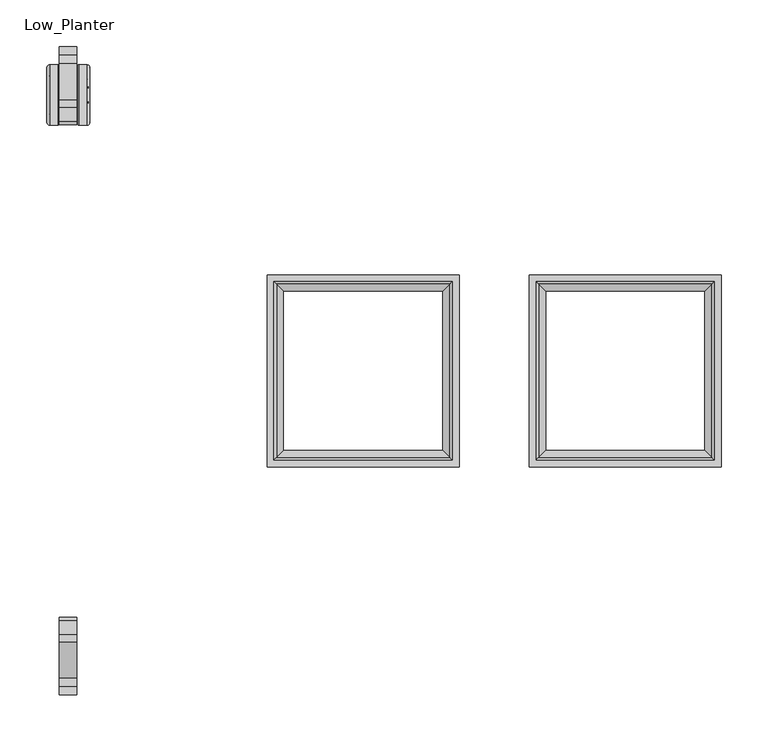
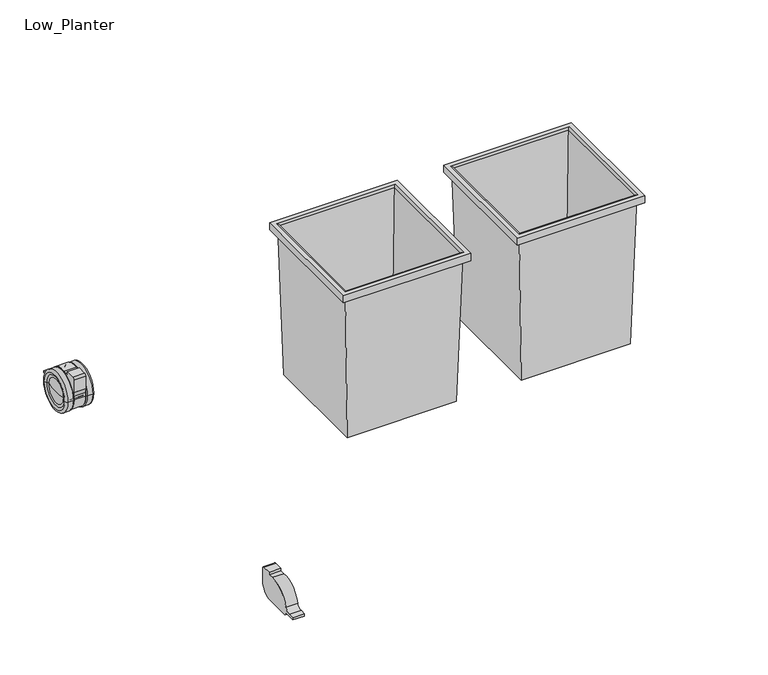
"""IFC4 building model written with IfcOpenShell, lengths in millimetres: furniture geometry, Low_Planter."""

from ifc_helpers import new_model, si_unit, point, frame, frame_2d, origin, place, context, project, spatial, polyline, circle_curve, ellipse_curve, trimmed, segment, composite_curve, outline, extrude, source, transform, mapped, element, save
from ifc_brep_helpers import plane_surface, cylinder_surface, revolved_surface, advanced_brep


def low_planter_7d2f23ec(model_context):
    return source(origin(), model_context, "Body", "SolidModel", [
        advanced_brep(
        [(-39.8170914, 100.1829086, 352.4436917), (-39.4853441, 100.5146559, 342.9436917), (-39.4853441, -100.5146559, 342.9436917), (-39.8170914, -100.1829086, 352.4436917), (-45.5409135, 94.4590865, 350.2723738), (-43.3126853, 96.6873147, 352.4436917), (-43.3126853, -96.6873147, 352.4436917), (-45.5409135, -94.4590865, 350.2723738), (-52.031188, 87.968812, 99.4436917), (-52.031188, -87.968812, 99.4436917), (-47.4617098, 92.5382902, 352.2816601), (-54.8527573, 85.1472427, 99.4436917), (-54.8527573, -85.1472427, 99.4436917), (-47.4617098, -92.5382902, 352.2816601), (-44.6627452, 95.3372548, 355.0), (-44.6627452, -95.3372548, 355.0), (-37.484125, 102.515875, 342.9436917), (-37.484125, 102.515875, 355.0), (-37.484125, -102.515875, 355.0), (-37.484125, -102.515875, 342.9436917), (-240.5146559, -100.5146559, 342.9436917), (-240.1829086, -100.1829086, 352.4436917), (-236.6873147, -96.6873147, 352.4436917), (-234.4590865, -94.4590865, 350.2723738), (-227.968812, -87.968812, 99.4436917), (-225.1472427, -85.1472427, 99.4436917), (-232.5382902, -92.5382902, 352.2816601), (-235.3372548, -95.3372548, 355.0), (-242.515875, -102.515875, 355.0), (-242.515875, -102.515875, 342.9436917), (-240.5146559, 100.5146559, 342.9436917), (-240.1829086, 100.1829086, 352.4436917), (-236.6873147, 96.6873147, 352.4436917), (-234.4590865, 94.4590865, 350.2723738), (-227.968812, 87.968812, 99.4436917), (-225.1472427, 85.1472427, 99.4436917), (-232.5382902, 92.5382902, 352.2816601), (-235.3372548, 95.3372548, 355.0), (-242.515875, 102.515875, 355.0), (-242.515875, 102.515875, 342.9436917)],
        [
            (0, 1),
            (1, 2),
            (2, 3),
            (3, 0),
            (4, 5, ellipse_curve(frame((-43.3126853, 96.6873147, 350.2147177), z_axis=(-0.7071067811865475, 0.7071067811865475, 0.0), x_axis=(-0.7071067811865474, -0.7071067811865476, 0.0)), 3.1522453, 2.228974)),
            (5, 6),
            (6, 7, ellipse_curve(frame((-43.3126853, -96.6873147, 350.2147177), z_axis=(-0.7071067811865475, -0.7071067811865475, 0.0), x_axis=(0.7071067811865474, -0.7071067811865476, 0.0)), 3.1522453, 2.228974)),
            (7, 4),
            (8, 4),
            (7, 9),
            (9, 8),
            (10, 11),
            (11, 12),
            (12, 13),
            (13, 10),
            (14, 10, ellipse_curve(frame((-44.6627452, 95.3372548, 352.1998398), z_axis=(0.7071067811865475, -0.7071067811865475, 0.0), x_axis=(0.7071067811865474, 0.7071067811865476, 0.0)), 3.9600246, 2.8001602)),
            (13, 15, ellipse_curve(frame((-44.6627452, -95.3372548, 352.1998398), z_axis=(0.7071067811865475, 0.7071067811865475, 0.0), x_axis=(-0.7071067811865474, 0.7071067811865476, 0.0)), 3.9600246, 2.8001602)),
            (15, 14),
            (16, 17),
            (17, 18),
            (18, 19),
            (19, 16),
            (2, 20),
            (20, 21),
            (21, 3),
            (6, 22),
            (22, 23, ellipse_curve(frame((-236.6873147, -96.6873147, 350.2147177), z_axis=(-0.7071067811865475, 0.7071067811865475, 0.0), x_axis=(-0.7071067811865476, -0.7071067811865474, 0.0)), 3.1522453, 2.228974)),
            (23, 7),
            (23, 24),
            (24, 9),
            (12, 25),
            (25, 26),
            (26, 13),
            (26, 27, ellipse_curve(frame((-235.3372548, -95.3372548, 352.1998398), z_axis=(0.7071067811865475, -0.7071067811865475, 0.0), x_axis=(0.7071067811865476, 0.7071067811865474, 0.0)), 3.9600246, 2.8001602)),
            (27, 15),
            (18, 28),
            (28, 29),
            (29, 19),
            (20, 30),
            (30, 31),
            (31, 21),
            (22, 32),
            (32, 33, ellipse_curve(frame((-236.6873147, 96.6873147, 350.2147177), z_axis=(0.7071067811865475, 0.7071067811865475, 0.0), x_axis=(-0.7071067811865474, 0.7071067811865476, 0.0)), 3.1522453, 2.228974)),
            (33, 23),
            (33, 34),
            (34, 24),
            (25, 35),
            (35, 36),
            (36, 26),
            (36, 37, ellipse_curve(frame((-235.3372548, 95.3372548, 352.1998398), z_axis=(-0.7071067811865475, -0.7071067811865475, 0.0), x_axis=(0.7071067811865474, -0.7071067811865476, 0.0)), 3.9600246, 2.8001602)),
            (37, 27),
            (28, 38),
            (38, 39),
            (39, 29),
            (39, 16),
            (1, 30),
            (0, 31),
            (5, 32),
            (4, 33),
            (8, 34),
            (11, 35),
            (10, 36),
            (14, 37),
            (17, 38),
        ],
        [
            plane_surface(frame((-39.4853441, 100.5146559, 342.9436917), z_axis=(-0.9993908270190965, 0.0, -0.03489949670247725), x_axis=(0.0, -1.0, 0.0))),
            revolved_surface(polyline([(-41.0837113, -98.91628872759341, 350.2147177), (-41.0837113, 98.91628872759343, 350.2147177)]), (-43.3126853, 85.094, 350.2147177), (0.0, -1.0, 0.0)),
            plane_surface(frame((-45.5409135, 94.4590865, 350.2723738), z_axis=(0.9996654016980265, 0.0, -0.025866670599890264), x_axis=(0.0, -1.0, 0.0))),
            plane_surface(frame((-54.8527573, 85.1472427, 99.4436917), z_axis=(-0.9995730085530367, 0.0, 0.02921986605429452), x_axis=(0.0, -1.0, 0.0))),
            cylinder_surface(frame((-44.6627452, 85.094, 352.1998398), z_axis=(0.0, 1.0, 0.0), x_axis=(1.0, 0.0, 0.0)), 2.8001602),
            plane_surface(frame((-37.484125, 102.515875, 355.0), z_axis=(1.0, 0.0, 0.0), x_axis=(0.0, -1.0, 0.0))),
            plane_surface(frame((-39.4853441, -100.5146559, 342.9436917), z_axis=(0.0, 0.9993908270190961, -0.03489949670249076), x_axis=(-1.0, 0.0, 0.0))),
            revolved_surface(polyline([(-238.9162887275934, -98.9162887, 350.2147177), (-41.083711272406575, -98.9162887, 350.2147177)]), (-54.906, -96.6873147, 350.2147177), (-1.0, 0.0, 0.0)),
            plane_surface(frame((-45.5409135, -94.4590865, 350.2723738), z_axis=(0.0, -0.999665401698027, -0.02586667059987675), x_axis=(-1.0, 0.0, 0.0))),
            plane_surface(frame((-54.8527573, -85.1472427, 99.4436917), z_axis=(0.0, 0.9995730085530371, 0.029219866054281007), x_axis=(-1.0, 0.0, 0.0))),
            cylinder_surface(frame((-54.906, -95.3372548, 352.1998398), z_axis=(1.0, 0.0, 0.0), x_axis=(0.0, -1.0, 0.0)), 2.8001602),
            plane_surface(frame((-37.484125, -102.515875, 355.0), z_axis=(0.0, -1.0, 0.0), x_axis=(-1.0, 0.0, 0.0))),
            plane_surface(frame((-240.5146559, -100.5146559, 342.9436917), z_axis=(0.9993908270190957, 0.0, -0.03489949670250427), x_axis=(0.0, 1.0, 0.0))),
            revolved_surface(polyline([(-238.9162887, 98.91628872759341, 350.2147177), (-238.9162887, -98.91628872759343, 350.2147177)]), (-236.6873147, -85.094, 350.2147177), (0.0, 1.0, 0.0)),
            plane_surface(frame((-234.4590865, -94.4590865, 350.2723738), z_axis=(-0.9996654016980273, 0.0, -0.025866670599863233), x_axis=(0.0, 1.0, 0.0))),
            plane_surface(frame((-225.1472427, -85.1472427, 99.4436917), z_axis=(0.9995730085530375, 0.0, 0.029219866054267494), x_axis=(0.0, 1.0, 0.0))),
            cylinder_surface(frame((-235.3372548, -85.094, 352.1998398), z_axis=(0.0, -1.0, 0.0), x_axis=(-1.0, 0.0, 0.0)), 2.8001602),
            plane_surface(frame((-242.515875, -102.515875, 355.0), z_axis=(-1.0, 0.0, 0.0), x_axis=(0.0, 1.0, 0.0))),
            plane_surface(frame((-242.515875, 102.515875, 342.9436917), z_axis=(0.0, 0.0, -1.0), x_axis=(1.0, 0.0, 0.0))),
            plane_surface(frame((-240.5146559, 100.5146559, 342.9436917), z_axis=(0.0, -0.9993908270190961, -0.03489949670249076), x_axis=(1.0, 0.0, 0.0))),
            plane_surface(frame((-240.1829086, 100.1829086, 352.4436917), z_axis=(0.0, 0.0, -1.0), x_axis=(1.0, 0.0, 0.0))),
            revolved_surface(polyline([(-41.08371127240659, 98.9162887, 350.2147177), (-238.9162887275934, 98.9162887, 350.2147177)]), (-225.094, 96.6873147, 350.2147177), (1.0, 0.0, 0.0)),
            plane_surface(frame((-234.4590865, 94.4590865, 350.2723738), z_axis=(0.0, 0.999665401698027, -0.02586667059987675), x_axis=(1.0, 0.0, 0.0))),
            plane_surface(frame((-227.968812, 87.968812, 99.4436917), z_axis=(0.0, 0.0, -1.0), x_axis=(1.0, 0.0, 0.0))),
            plane_surface(frame((-225.1472427, 85.1472427, 99.4436917), z_axis=(0.0, -0.9995730085530371, 0.029219866054281007), x_axis=(1.0, 0.0, 0.0))),
            cylinder_surface(frame((-225.094, 95.3372548, 352.1998398), z_axis=(-1.0, 0.0, 0.0), x_axis=(0.0, 1.0, 0.0)), 2.8001602),
            plane_surface(frame((-235.3372548, 95.3372548, 355.0), z_axis=(0.0, 0.0, 1.0), x_axis=(1.0, 0.0, 0.0))),
            plane_surface(frame((-242.515875, 102.515875, 355.0), z_axis=(0.0, 1.0, 0.0), x_axis=(1.0, 0.0, 0.0))),
        ],
        [
            (0, [[1, 2, 3, 4]]),
            (1, [[5, 6, 7, 8]]),
            (2, [[9, -8, 10, 11]]),
            (3, [[12, 13, 14, 15]]),
            (4, [[16, -15, 17, 18]]),
            (5, [[19, 20, 21, 22]]),
            (6, [[-3, 23, 24, 25]]),
            (7, [[-7, 26, 27, 28]]),
            (8, [[-10, -28, 29, 30]]),
            (9, [[-14, 31, 32, 33]]),
            (10, [[-17, -33, 34, 35]]),
            (11, [[-21, 36, 37, 38]]),
            (12, [[-24, 39, 40, 41]]),
            (13, [[-27, 42, 43, 44]]),
            (14, [[-29, -44, 45, 46]]),
            (15, [[-32, 47, 48, 49]]),
            (16, [[-34, -49, 50, 51]]),
            (17, [[-37, 52, 53, 54]]),
            (18, [[-38, -54, 55, -22], [56, -39, -23, -2]]),
            (19, [[-40, -56, -1, 57]]),
            (20, [[-25, -41, -57, -4], [58, -42, -26, -6]]),
            (21, [[-43, -58, -5, 59]]),
            (22, [[-45, -59, -9, 60]]),
            (23, [[-30, -46, -60, -11], [61, -47, -31, -13]]),
            (24, [[-48, -61, -12, 62]]),
            (25, [[-50, -62, -16, 63]]),
            (26, [[64, -52, -36, -20], [-35, -51, -63, -18]]),
            (27, [[-53, -64, -19, -55]]),
        ],
    ),
        advanced_brep(
        [(-319.8170914, 100.1829086, 352.4436917), (-319.4853441, 100.5146559, 342.9436917), (-319.4853441, -100.5146559, 342.9436917), (-319.8170914, -100.1829086, 352.4436917), (-325.5409135, 94.4590865, 350.2723738), (-323.3126853, 96.6873147, 352.4436917), (-323.3126853, -96.6873147, 352.4436917), (-325.5409135, -94.4590865, 350.2723738), (-332.031188, 87.968812, 99.4436917), (-332.031188, -87.968812, 99.4436917), (-327.4617098, 92.5382902, 352.2816601), (-334.8527573, 85.1472427, 99.4436917), (-334.8527573, -85.1472427, 99.4436917), (-327.4617098, -92.5382902, 352.2816601), (-324.6627452, 95.3372548, 355.0), (-324.6627452, -95.3372548, 355.0), (-317.484125, 102.515875, 342.9436917), (-317.484125, 102.515875, 355.0), (-317.484125, -102.515875, 355.0), (-317.484125, -102.515875, 342.9436917), (-520.5146559, -100.5146559, 342.9436917), (-520.1829086, -100.1829086, 352.4436917), (-516.6873147, -96.6873147, 352.4436917), (-514.4590865, -94.4590865, 350.2723738), (-507.968812, -87.968812, 99.4436917), (-505.1472427, -85.1472427, 99.4436917), (-512.5382902, -92.5382902, 352.2816601), (-515.3372548, -95.3372548, 355.0), (-522.515875, -102.515875, 355.0), (-522.515875, -102.515875, 342.9436917), (-520.5146559, 100.5146559, 342.9436917), (-520.1829086, 100.1829086, 352.4436917), (-516.6873147, 96.6873147, 352.4436917), (-514.4590865, 94.4590865, 350.2723738), (-507.968812, 87.968812, 99.4436917), (-505.1472427, 85.1472427, 99.4436917), (-512.5382902, 92.5382902, 352.2816601), (-515.3372548, 95.3372548, 355.0), (-522.515875, 102.515875, 355.0), (-522.515875, 102.515875, 342.9436917)],
        [
            (0, 1),
            (1, 2),
            (2, 3),
            (3, 0),
            (4, 5, ellipse_curve(frame((-323.3126853, 96.6873147, 350.2147177), z_axis=(-0.7071067811865475, 0.7071067811865475, 0.0), x_axis=(-0.7071067811865474, -0.7071067811865476, 0.0)), 3.1522453, 2.228974)),
            (5, 6),
            (6, 7, ellipse_curve(frame((-323.3126853, -96.6873147, 350.2147177), z_axis=(-0.7071067811865475, -0.7071067811865475, 0.0), x_axis=(0.7071067811865474, -0.7071067811865476, 0.0)), 3.1522453, 2.228974)),
            (7, 4),
            (8, 4),
            (7, 9),
            (9, 8),
            (10, 11),
            (11, 12),
            (12, 13),
            (13, 10),
            (14, 10, ellipse_curve(frame((-324.6627452, 95.3372548, 352.1998398), z_axis=(0.7071067811865475, -0.7071067811865475, 0.0), x_axis=(0.7071067811865474, 0.7071067811865476, 0.0)), 3.9600246, 2.8001602)),
            (13, 15, ellipse_curve(frame((-324.6627452, -95.3372548, 352.1998398), z_axis=(0.7071067811865475, 0.7071067811865475, 0.0), x_axis=(-0.7071067811865474, 0.7071067811865476, 0.0)), 3.9600246, 2.8001602)),
            (15, 14),
            (16, 17),
            (17, 18),
            (18, 19),
            (19, 16),
            (2, 20),
            (20, 21),
            (21, 3),
            (6, 22),
            (22, 23, ellipse_curve(frame((-516.6873147, -96.6873147, 350.2147177), z_axis=(-0.7071067811865475, 0.7071067811865475, 0.0), x_axis=(-0.7071067811865476, -0.7071067811865474, 0.0)), 3.1522453, 2.228974)),
            (23, 7),
            (23, 24),
            (24, 9),
            (12, 25),
            (25, 26),
            (26, 13),
            (26, 27, ellipse_curve(frame((-515.3372548, -95.3372548, 352.1998398), z_axis=(0.7071067811865475, -0.7071067811865475, 0.0), x_axis=(0.7071067811865476, 0.7071067811865474, 0.0)), 3.9600246, 2.8001602)),
            (27, 15),
            (18, 28),
            (28, 29),
            (29, 19),
            (20, 30),
            (30, 31),
            (31, 21),
            (22, 32),
            (32, 33, ellipse_curve(frame((-516.6873147, 96.6873147, 350.2147177), z_axis=(0.7071067811865475, 0.7071067811865475, 0.0), x_axis=(-0.7071067811865474, 0.7071067811865476, 0.0)), 3.1522453, 2.228974)),
            (33, 23),
            (33, 34),
            (34, 24),
            (25, 35),
            (35, 36),
            (36, 26),
            (36, 37, ellipse_curve(frame((-515.3372548, 95.3372548, 352.1998398), z_axis=(-0.7071067811865475, -0.7071067811865475, 0.0), x_axis=(0.7071067811865474, -0.7071067811865476, 0.0)), 3.9600246, 2.8001602)),
            (37, 27),
            (28, 38),
            (38, 39),
            (39, 29),
            (39, 16),
            (1, 30),
            (0, 31),
            (5, 32),
            (4, 33),
            (8, 34),
            (11, 35),
            (10, 36),
            (14, 37),
            (17, 38),
        ],
        [
            plane_surface(frame((-319.4853441, 100.5146559, 342.9436917), z_axis=(-0.9993908270190965, 0.0, -0.0348994967024775), x_axis=(0.0, -1.0, 0.0))),
            revolved_surface(polyline([(-321.0837113, -98.91628872759341, 350.2147177), (-321.0837113, 98.91628872759343, 350.2147177)]), (-323.3126853, 85.094, 350.2147177), (0.0, -1.0, 0.0)),
            plane_surface(frame((-325.5409135, 94.4590865, 350.2723738), z_axis=(0.9996654016980265, 0.0, -0.025866670599890257), x_axis=(0.0, -1.0, 0.0))),
            plane_surface(frame((-334.8527573, 85.1472427, 99.4436917), z_axis=(-0.9995730085530367, 0.0, 0.02921986605429452), x_axis=(0.0, -1.0, 0.0))),
            cylinder_surface(frame((-324.6627452, 85.094, 352.1998398), z_axis=(0.0, 1.0, 0.0), x_axis=(1.0, 0.0, 0.0)), 2.8001602),
            plane_surface(frame((-317.484125, 102.515875, 355.0), z_axis=(1.0, 0.0, 0.0), x_axis=(0.0, -1.0, 0.0))),
            plane_surface(frame((-319.4853441, -100.5146559, 342.9436917), z_axis=(0.0, 0.9993908270190961, -0.03489949670249101), x_axis=(-1.0, 0.0, 0.0))),
            revolved_surface(polyline([(-518.9162887275934, -98.9162887, 350.2147177), (-321.08371127240656, -98.9162887, 350.2147177)]), (-334.906, -96.6873147, 350.2147177), (-1.0, 0.0, 0.0)),
            plane_surface(frame((-325.5409135, -94.4590865, 350.2723738), z_axis=(0.0, -0.999665401698027, -0.025866670599876743), x_axis=(-1.0, 0.0, 0.0))),
            plane_surface(frame((-334.8527573, -85.1472427, 99.4436917), z_axis=(0.0, 0.9995730085530371, 0.029219866054281007), x_axis=(-1.0, 0.0, 0.0))),
            cylinder_surface(frame((-334.906, -95.3372548, 352.1998398), z_axis=(1.0, 0.0, 0.0), x_axis=(0.0, -1.0, 0.0)), 2.8001602),
            plane_surface(frame((-317.484125, -102.515875, 355.0), z_axis=(0.0, -1.0, 0.0), x_axis=(-1.0, 0.0, 0.0))),
            plane_surface(frame((-520.5146559, -100.5146559, 342.9436917), z_axis=(0.9993908270190957, 0.0, -0.03489949670250452), x_axis=(0.0, 1.0, 0.0))),
            revolved_surface(polyline([(-518.9162887, 98.91628872759341, 350.2147177), (-518.9162887, -98.91628872759343, 350.2147177)]), (-516.6873147, -85.094, 350.2147177), (0.0, 1.0, 0.0)),
            plane_surface(frame((-514.4590865, -94.4590865, 350.2723738), z_axis=(-0.9996654016980273, 0.0, -0.025866670599863226), x_axis=(0.0, 1.0, 0.0))),
            plane_surface(frame((-505.1472427, -85.1472427, 99.4436917), z_axis=(0.9995730085530375, 0.0, 0.029219866054267494), x_axis=(0.0, 1.0, 0.0))),
            cylinder_surface(frame((-515.3372548, -85.094, 352.1998398), z_axis=(0.0, -1.0, 0.0), x_axis=(-1.0, 0.0, 0.0)), 2.8001602),
            plane_surface(frame((-522.515875, -102.515875, 355.0), z_axis=(-1.0, 0.0, 0.0), x_axis=(0.0, 1.0, 0.0))),
            plane_surface(frame((-522.515875, 102.515875, 342.9436917), z_axis=(0.0, 0.0, -1.0), x_axis=(1.0, 0.0, 0.0))),
            plane_surface(frame((-520.5146559, 100.5146559, 342.9436917), z_axis=(0.0, -0.9993908270190961, -0.03489949670249101), x_axis=(1.0, 0.0, 0.0))),
            plane_surface(frame((-520.1829086, 100.1829086, 352.4436917), z_axis=(0.0, 0.0, -1.0), x_axis=(1.0, 0.0, 0.0))),
            revolved_surface(polyline([(-321.0837112724066, 98.9162887, 350.2147177), (-518.9162887275934, 98.9162887, 350.2147177)]), (-505.094, 96.6873147, 350.2147177), (1.0, 0.0, 0.0)),
            plane_surface(frame((-514.4590865, 94.4590865, 350.2723738), z_axis=(0.0, 0.999665401698027, -0.025866670599876743), x_axis=(1.0, 0.0, 0.0))),
            plane_surface(frame((-507.968812, 87.968812, 99.4436917), z_axis=(0.0, 0.0, -1.0), x_axis=(1.0, 0.0, 0.0))),
            plane_surface(frame((-505.1472427, 85.1472427, 99.4436917), z_axis=(0.0, -0.9995730085530371, 0.029219866054281007), x_axis=(1.0, 0.0, 0.0))),
            cylinder_surface(frame((-505.094, 95.3372548, 352.1998398), z_axis=(-1.0, 0.0, 0.0), x_axis=(0.0, 1.0, 0.0)), 2.8001602),
            plane_surface(frame((-515.3372548, 95.3372548, 355.0), z_axis=(0.0, 0.0, 1.0), x_axis=(1.0, 0.0, 0.0))),
            plane_surface(frame((-522.515875, 102.515875, 355.0), z_axis=(0.0, 1.0, 0.0), x_axis=(1.0, 0.0, 0.0))),
        ],
        [
            (0, [[1, 2, 3, 4]]),
            (1, [[5, 6, 7, 8]]),
            (2, [[9, -8, 10, 11]]),
            (3, [[12, 13, 14, 15]]),
            (4, [[16, -15, 17, 18]]),
            (5, [[19, 20, 21, 22]]),
            (6, [[-3, 23, 24, 25]]),
            (7, [[-7, 26, 27, 28]]),
            (8, [[-10, -28, 29, 30]]),
            (9, [[-14, 31, 32, 33]]),
            (10, [[-17, -33, 34, 35]]),
            (11, [[-21, 36, 37, 38]]),
            (12, [[-24, 39, 40, 41]]),
            (13, [[-27, 42, 43, 44]]),
            (14, [[-29, -44, 45, 46]]),
            (15, [[-32, 47, 48, 49]]),
            (16, [[-34, -49, 50, 51]]),
            (17, [[-37, 52, 53, 54]]),
            (18, [[-38, -54, 55, -22], [56, -39, -23, -2]]),
            (19, [[-40, -56, -1, 57]]),
            (20, [[-25, -41, -57, -4], [58, -42, -26, -6]]),
            (21, [[-43, -58, -5, 59]]),
            (22, [[-45, -59, -9, 60]]),
            (23, [[-30, -46, -60, -11], [61, -47, -31, -13]]),
            (24, [[-48, -61, -12, 62]]),
            (25, [[-50, -62, -16, 63]]),
            (26, [[64, -52, -36, -20], [-35, -51, -63, -18]]),
            (27, [[-53, -64, -19, -55]]),
        ],
    ),
        extrude(outline(composite_curve([segment(polyline([(322.5393853, 24.6577664), (284.4393853, 24.6577664)]), True, "CONTINUOUS"), segment(trimmed(circle_curve(frame_2d((284.4393853, 45.6577664)), 21.0), [point((284.4393853, 24.6577664))], [point((263.4393853, 45.6577664))], False, "CARTESIAN"), True, "CONTINUOUS"), segment(polyline([(263.4393853, 45.6577664), (263.4393853, 67.2868958)]), True, "CONTINUOUS"), segment(trimmed(circle_curve(frame_2d((266.6512197, 67.2868958)), 3.2118344), [point((263.4393853, 67.2868958))], [point((266.6512197, 70.4987302))], False, "CARTESIAN"), True, "CONTINUOUS"), segment(polyline([(266.6512197, 70.4987302), (281.3809289, 70.4987302), (281.3809289, 66.7440458), (289.4225274, 66.7440458)]), True, "CONTINUOUS"), segment(trimmed(circle_curve(frame_2d((293.0492292, 30.6796344)), 36.2463066), [point((289.4225274, 66.7440458))], [point((328.1790956, 39.6064046))], False, "CARTESIAN"), True, "CONTINUOUS"), segment(trimmed(circle_curve(frame_2d((336.750164, 41.7843792)), 8.8434601), [point((328.1790956, 39.6064046))], [point((337.3229966, 32.9594911))], True, "CARTESIAN"), True, "CONTINUOUS"), segment(polyline([(337.3229966, 32.9594911), (346.4829961, 32.9594911), (346.4829961, 29.0481232), (328.3545572, 29.0481232)]), True, "CONTINUOUS"), segment(trimmed(circle_curve(frame_2d((322.5393853, 30.7041381)), 6.0463716), [point((328.3545572, 29.0481232))], [point((322.5393853, 24.6577664))], False, "CARTESIAN"), True, "CONTINUOUS")], self_intersect=False)), frame((-744.9615248, 0.0, 0.0), z_axis=(1.0, 0.0, 0.0), x_axis=(0.0, 1.0, 0.0)), (0.0, 0.0, 1.0), 18.9615248),
        advanced_brep(
        [(-755.184493, 314.6583204, 33.3375), (-755.184493, 275.3179942, 33.3375), (-756.254365, 294.9881573, 33.3375), (-755.8633212, 318.8171529, 33.3375), (-755.8633212, 271.1591617, 33.3375), (-757.7696196, 322.8735065, 33.3375), (-757.7696196, 267.1028081, 33.3375), (-754.7850467, 327.3100018, 33.3375), (-754.7850467, 262.6663128, 33.3375), (-746.259685, 327.3100018, 33.3375), (-746.259685, 262.6663128, 33.3375), (-744.9615248, 326.0118415, 33.3375), (-744.9615248, 263.9644731, 33.3375), (-744.9615248, 305.1400543, 33.3375), (-744.9615248, 284.8362603, 33.3375), (-744.0, 305.1400543, 33.3375), (-744.0, 284.8362603, 33.3375), (-744.0, 326.1400543, 33.3375), (-744.0, 263.8362603, 33.3375), (-726.0, 326.1400543, 33.3375), (-726.0, 263.8362603, 33.3375), (-726.0, 305.1400543, 33.3375), (-726.0, 284.8362603, 33.3375), (-724.9867609, 305.1400543, 33.3375), (-724.9867609, 284.8362603, 33.3375), (-724.9867609, 326.0118415, 33.3375), (-724.9867609, 263.9644731, 33.3375), (-723.6886006, 327.3100018, 33.3375), (-723.6886006, 262.6663128, 33.3375), (-715.163239, 327.3100018, 33.3375), (-715.163239, 262.6663128, 33.3375), (-712.178666, 322.8735065, 33.3375), (-712.178666, 267.1028081, 33.3375), (-714.0849645, 318.8171529, 33.3375), (-714.0849645, 271.1591617, 33.3375), (-714.7637927, 314.6583204, 33.3375), (-714.7637927, 275.3179942, 33.3375), (-713.6939206, 294.9881573, 33.3375)],
        [
            (0, 1, circle_curve(frame((-755.184493, 294.9881573, 33.3375), z_axis=(-1.0, 0.0, 0.0), x_axis=(0.0, -1.0, 0.0)), 19.6701631)),
            (1, 2, circle_curve(frame((-670.0444421, 289.81299, 33.3375), z_axis=(0.0, 0.0, -1.0), x_axis=(1.0, 0.0, 0.0)), 86.3651154)),
            (2, 0, circle_curve(frame((-670.0444421, 300.1633246, 33.3375), z_axis=(0.0, 0.0, -1.0), x_axis=(1.0, 0.0, 0.0)), 86.3651154)),
            (1, 0, circle_curve(frame((-755.184493, 294.9881573, 33.3375), z_axis=(-1.0, 0.0, 0.0), x_axis=(0.0, -1.0, 0.0)), 19.6701631)),
            (3, 4, circle_curve(frame((-755.8633212, 294.9881573, 33.3375), z_axis=(-1.0, 0.0, 0.0), x_axis=(0.0, -1.0, 0.0)), 23.8289956)),
            (4, 1, circle_curve(frame((-761.5862333, 274.2281053, 33.3375), z_axis=(0.0, 0.0, 1.0), x_axis=(1.0, 0.0, 0.0)), 6.4938538)),
            (0, 3, circle_curve(frame((-761.5862333, 315.7482093, 33.3375), z_axis=(0.0, 0.0, 1.0), x_axis=(1.0, 0.0, 0.0)), 6.4938538)),
            (4, 3, circle_curve(frame((-755.8633212, 294.9881573, 33.3375), z_axis=(-1.0, 0.0, 0.0), x_axis=(0.0, -1.0, 0.0)), 23.8289956)),
            (5, 6, circle_curve(frame((-757.7696196, 294.9881573, 33.3375), z_axis=(-1.0, 0.0, 0.0), x_axis=(0.0, -1.0, 0.0)), 27.8853492)),
            (6, 4, circle_curve(frame((-718.5172692, 251.1321331, 33.3375), z_axis=(0.0, 0.0, -1.0), x_axis=(1.0, 0.0, 0.0)), 42.3769923)),
            (3, 5, circle_curve(frame((-718.5172692, 338.8441815, 33.3375), z_axis=(0.0, 0.0, -1.0), x_axis=(1.0, 0.0, 0.0)), 42.3769923)),
            (6, 5, circle_curve(frame((-757.7696196, 294.9881573, 33.3375), z_axis=(-1.0, 0.0, 0.0), x_axis=(0.0, -1.0, 0.0)), 27.8853492)),
            (7, 8, circle_curve(frame((-754.7850467, 294.9881573, 33.3375), z_axis=(-1.0, 0.0, 0.0), x_axis=(0.0, -1.0, 0.0)), 32.3218445)),
            (8, 6, circle_curve(frame((-754.7850467, 265.8884695, 33.3375), z_axis=(0.0, 0.0, -1.0), x_axis=(1.0, 0.0, 0.0)), 3.2221567)),
            (5, 7, circle_curve(frame((-754.7850467, 324.0878451, 33.3375), z_axis=(0.0, 0.0, -1.0), x_axis=(1.0, 0.0, 0.0)), 3.2221567)),
            (8, 7, circle_curve(frame((-754.7850467, 294.9881573, 33.3375), z_axis=(-1.0, 0.0, 0.0), x_axis=(0.0, -1.0, 0.0)), 32.3218445)),
            (9, 10, circle_curve(frame((-746.259685, 294.9881573, 33.3375), z_axis=(-1.0, 0.0, 0.0), x_axis=(0.0, -1.0, 0.0)), 32.3218445)),
            (10, 8),
            (7, 9),
            (10, 9, circle_curve(frame((-746.259685, 294.9881573, 33.3375), z_axis=(-1.0, 0.0, 0.0), x_axis=(0.0, -1.0, 0.0)), 32.3218445)),
            (11, 12, circle_curve(frame((-744.9615248, 294.9881573, 33.3375), z_axis=(-1.0, 0.0, 0.0), x_axis=(0.0, -1.0, 0.0)), 31.0236842)),
            (12, 10, circle_curve(frame((-746.259685, 263.9644731, 33.3375), z_axis=(0.0, 0.0, -1.0), x_axis=(1.0, 0.0, 0.0)), 1.2981602)),
            (9, 11, circle_curve(frame((-746.259685, 326.0118415, 33.3375), z_axis=(0.0, 0.0, -1.0), x_axis=(1.0, 0.0, 0.0)), 1.2981602)),
            (12, 11, circle_curve(frame((-744.9615248, 294.9881573, 33.3375), z_axis=(-1.0, 0.0, 0.0), x_axis=(0.0, -1.0, 0.0)), 31.0236842)),
            (13, 14, circle_curve(frame((-744.9615248, 294.9881573, 33.3375), z_axis=(-1.0, 0.0, 0.0), x_axis=(0.0, -1.0, 0.0)), 10.151897)),
            (14, 12),
            (11, 13),
            (14, 13, circle_curve(frame((-744.9615248, 294.9881573, 33.3375), z_axis=(-1.0, 0.0, 0.0), x_axis=(0.0, -1.0, 0.0)), 10.151897)),
            (15, 16, circle_curve(frame((-744.0, 294.9881573, 33.3375), z_axis=(-1.0, 0.0, 0.0), x_axis=(0.0, -1.0, 0.0)), 10.151897)),
            (16, 14),
            (13, 15),
            (16, 15, circle_curve(frame((-744.0, 294.9881573, 33.3375), z_axis=(-1.0, 0.0, 0.0), x_axis=(0.0, -1.0, 0.0)), 10.151897)),
            (17, 18, circle_curve(frame((-744.0, 294.9881573, 33.3375), z_axis=(-1.0, 0.0, 0.0), x_axis=(0.0, -1.0, 0.0)), 31.151897)),
            (18, 16),
            (15, 17),
            (18, 17, circle_curve(frame((-744.0, 294.9881573, 33.3375), z_axis=(-1.0, 0.0, 0.0), x_axis=(0.0, -1.0, 0.0)), 31.151897)),
            (19, 20, circle_curve(frame((-726.0, 294.9881573, 33.3375), z_axis=(-1.0, 0.0, 0.0), x_axis=(0.0, -1.0, 0.0)), 31.151897)),
            (20, 18),
            (17, 19),
            (20, 19, circle_curve(frame((-726.0, 294.9881573, 33.3375), z_axis=(-1.0, 0.0, 0.0), x_axis=(0.0, -1.0, 0.0)), 31.151897)),
            (21, 22, circle_curve(frame((-726.0, 294.9881573, 33.3375), z_axis=(-1.0, 0.0, 0.0), x_axis=(0.0, -1.0, 0.0)), 10.151897)),
            (22, 20),
            (19, 21),
            (22, 21, circle_curve(frame((-726.0, 294.9881573, 33.3375), z_axis=(-1.0, 0.0, 0.0), x_axis=(0.0, -1.0, 0.0)), 10.151897)),
            (23, 24, circle_curve(frame((-724.9867609, 294.9881573, 33.3375), z_axis=(-1.0, 0.0, 0.0), x_axis=(0.0, -1.0, 0.0)), 10.151897)),
            (24, 22),
            (21, 23),
            (24, 23, circle_curve(frame((-724.9867609, 294.9881573, 33.3375), z_axis=(-1.0, 0.0, 0.0), x_axis=(0.0, -1.0, 0.0)), 10.151897)),
            (25, 26, circle_curve(frame((-724.9867609, 294.9881573, 33.3375), z_axis=(-1.0, 0.0, 0.0), x_axis=(0.0, -1.0, 0.0)), 31.0236842)),
            (26, 24),
            (23, 25),
            (26, 25, circle_curve(frame((-724.9867609, 294.9881573, 33.3375), z_axis=(-1.0, 0.0, 0.0), x_axis=(0.0, -1.0, 0.0)), 31.0236842)),
            (27, 28, circle_curve(frame((-723.6886006, 294.9881573, 33.3375), z_axis=(-1.0, 0.0, 0.0), x_axis=(0.0, -1.0, 0.0)), 32.3218445)),
            (28, 26, circle_curve(frame((-723.6886006, 263.9644731, 33.3375), z_axis=(0.0, 0.0, -1.0), x_axis=(-1.0, 0.0, 0.0)), 1.2981602)),
            (25, 27, circle_curve(frame((-723.6886006, 326.0118415, 33.3375), z_axis=(0.0, 0.0, -1.0), x_axis=(-1.0, 0.0, 0.0)), 1.2981602)),
            (28, 27, circle_curve(frame((-723.6886006, 294.9881573, 33.3375), z_axis=(-1.0, 0.0, 0.0), x_axis=(0.0, -1.0, 0.0)), 32.3218445)),
            (29, 30, circle_curve(frame((-715.163239, 294.9881573, 33.3375), z_axis=(-1.0, 0.0, 0.0), x_axis=(0.0, -1.0, 0.0)), 32.3218445)),
            (30, 28),
            (27, 29),
            (30, 29, circle_curve(frame((-715.163239, 294.9881573, 33.3375), z_axis=(-1.0, 0.0, 0.0), x_axis=(0.0, -1.0, 0.0)), 32.3218445)),
            (31, 32, circle_curve(frame((-712.178666, 294.9881573, 33.3375), z_axis=(-1.0, 0.0, 0.0), x_axis=(0.0, -1.0, 0.0)), 27.8853492)),
            (32, 30, circle_curve(frame((-715.163239, 265.8884695, 33.3375), z_axis=(0.0, 0.0, -1.0), x_axis=(-1.0, 0.0, 0.0)), 3.2221567)),
            (29, 31, circle_curve(frame((-715.163239, 324.0878451, 33.3375), z_axis=(0.0, 0.0, -1.0), x_axis=(-1.0, 0.0, 0.0)), 3.2221567)),
            (32, 31, circle_curve(frame((-712.178666, 294.9881573, 33.3375), z_axis=(-1.0, 0.0, 0.0), x_axis=(0.0, -1.0, 0.0)), 27.8853492)),
            (33, 34, circle_curve(frame((-714.0849645, 294.9881573, 33.3375), z_axis=(-1.0, 0.0, 0.0), x_axis=(0.0, -1.0, 0.0)), 23.8289956)),
            (34, 32, circle_curve(frame((-751.4310165, 251.1321331, 33.3375), z_axis=(0.0, 0.0, -1.0), x_axis=(-1.0, 0.0, 0.0)), 42.3769923)),
            (31, 33, circle_curve(frame((-751.4310165, 338.8441815, 33.3375), z_axis=(0.0, 0.0, -1.0), x_axis=(-1.0, 0.0, 0.0)), 42.3769923)),
            (34, 33, circle_curve(frame((-714.0849645, 294.9881573, 33.3375), z_axis=(-1.0, 0.0, 0.0), x_axis=(0.0, -1.0, 0.0)), 23.8289956)),
            (35, 36, circle_curve(frame((-714.7637927, 294.9881573, 33.3375), z_axis=(-1.0, 0.0, 0.0), x_axis=(0.0, -1.0, 0.0)), 19.6701631)),
            (36, 34, circle_curve(frame((-708.3620524, 274.2281053, 33.3375), z_axis=(0.0, 0.0, 1.0), x_axis=(-1.0, 0.0, 0.0)), 6.4938538)),
            (33, 35, circle_curve(frame((-708.3620524, 315.7482093, 33.3375), z_axis=(0.0, 0.0, 1.0), x_axis=(-1.0, 0.0, 0.0)), 6.4938538)),
            (36, 35, circle_curve(frame((-714.7637927, 294.9881573, 33.3375), z_axis=(-1.0, 0.0, 0.0), x_axis=(0.0, -1.0, 0.0)), 19.6701631)),
            (37, 36, circle_curve(frame((-799.9038436, 289.81299, 33.3375), z_axis=(0.0, 0.0, -1.0), x_axis=(-1.0, 0.0, 0.0)), 86.3651154)),
            (35, 37, circle_curve(frame((-799.9038436, 300.1633246, 33.3375), z_axis=(0.0, 0.0, -1.0), x_axis=(-1.0, 0.0, 0.0)), 86.3651154)),
        ],
        [
            revolved_surface(trimmed(ellipse_curve(frame((-670.0444421, 289.81299, 33.3375), z_axis=(0.0, 0.0, 1.0), x_axis=(1.0, 0.0, 0.0)), 86.3651154, 86.3651154), [point((-756.254365, 294.9881573, 33.3375))], [point((-755.184493, 275.3179942, 33.3375))], True, "CARTESIAN"), (-735.8288688, 294.9881573, 33.3375), (1.0, 0.0, 0.0)),
            revolved_surface(trimmed(ellipse_curve(frame((-761.5862333, 274.2281053, 33.3375), z_axis=(0.0, 0.0, -1.0), x_axis=(1.0, 0.0, 0.0)), 6.4938538, 6.4938538), [point((-755.184493, 275.3179942, 33.3375))], [point((-755.8633212, 271.1591617, 33.3375))], True, "CARTESIAN"), (-735.8288688, 294.9881573, 33.3375), (1.0, 0.0, 0.0)),
            revolved_surface(trimmed(ellipse_curve(frame((-718.5172692, 251.1321331, 33.3375), z_axis=(0.0, 0.0, 1.0), x_axis=(1.0, 0.0, 0.0)), 42.3769923, 42.3769923), [point((-755.8633212, 271.1591617, 33.3375))], [point((-757.7696196, 267.1028081, 33.3375))], True, "CARTESIAN"), (-735.8288688, 294.9881573, 33.3375), (1.0, 0.0, 0.0)),
            revolved_surface(trimmed(ellipse_curve(frame((-754.7850467, 265.8884695, 33.3375), z_axis=(0.0, 0.0, 1.0), x_axis=(1.0, 0.0, 0.0)), 3.2221567, 3.2221567), [point((-757.7696196, 267.1028081, 33.3375))], [point((-754.7850467, 262.6663128, 33.3375))], True, "CARTESIAN"), (-735.8288688, 294.9881573, 33.3375), (1.0, 0.0, 0.0)),
            cylinder_surface(frame((-735.8288688, 294.9881573, 33.3375), z_axis=(1.0, 0.0, 0.0), x_axis=(0.0, -1.0, 0.0)), 32.3218445),
            revolved_surface(trimmed(ellipse_curve(frame((-746.259685, 263.9644731, 33.3375), z_axis=(0.0, 0.0, 1.0), x_axis=(1.0, 0.0, 0.0)), 1.2981602, 1.2981602), [point((-746.259685, 262.6663128, 33.3375))], [point((-744.9615248, 263.9644731, 33.3375))], True, "CARTESIAN"), (-735.8288688, 294.9881573, 33.3375), (1.0, 0.0, 0.0)),
            plane_surface(frame((-744.9615248, 294.9881573, 33.3375), z_axis=(1.0, 0.0, 0.0), x_axis=(0.0, -1.0, 0.0))),
            cylinder_surface(frame((-735.8288688, 294.9881573, 33.3375), z_axis=(1.0, 0.0, 0.0), x_axis=(0.0, -1.0, 0.0)), 10.151897),
            plane_surface(frame((-744.0, 294.9881573, 33.3375), z_axis=(-1.0, 0.0, 0.0), x_axis=(0.0, -1.0, 0.0))),
            cylinder_surface(frame((-735.8288688, 294.9881573, 33.3375), z_axis=(1.0, 0.0, 0.0), x_axis=(0.0, -1.0, 0.0)), 31.151897),
            plane_surface(frame((-726.0, 294.9881573, 33.3375), z_axis=(1.0, 0.0, 0.0), x_axis=(0.0, -1.0, 0.0))),
            plane_surface(frame((-724.9867609, 294.9881573, 33.3375), z_axis=(-1.0, 0.0, 0.0), x_axis=(0.0, -1.0, 0.0))),
            revolved_surface(trimmed(ellipse_curve(frame((-723.6886006, 263.9644731, 33.3375), z_axis=(0.0, 0.0, 1.0), x_axis=(-1.0, 0.0, 0.0)), 1.2981602, 1.2981602), [point((-724.9867609, 263.9644731, 33.3375))], [point((-723.6886006, 262.6663128, 33.3375))], True, "CARTESIAN"), (-735.8288688, 294.9881573, 33.3375), (1.0, 0.0, 0.0)),
            revolved_surface(trimmed(ellipse_curve(frame((-715.163239, 265.8884695, 33.3375), z_axis=(0.0, 0.0, 1.0), x_axis=(-1.0, 0.0, 0.0)), 3.2221567, 3.2221567), [point((-715.163239, 262.6663128, 33.3375))], [point((-712.178666, 267.1028081, 33.3375))], True, "CARTESIAN"), (-735.8288688, 294.9881573, 33.3375), (1.0, 0.0, 0.0)),
            revolved_surface(trimmed(ellipse_curve(frame((-751.4310165, 251.1321331, 33.3375), z_axis=(0.0, 0.0, 1.0), x_axis=(-1.0, 0.0, 0.0)), 42.3769923, 42.3769923), [point((-712.178666, 267.1028081, 33.3375))], [point((-714.0849645, 271.1591617, 33.3375))], True, "CARTESIAN"), (-735.8288688, 294.9881573, 33.3375), (1.0, 0.0, 0.0)),
            revolved_surface(trimmed(ellipse_curve(frame((-708.3620524, 274.2281053, 33.3375), z_axis=(0.0, 0.0, -1.0), x_axis=(-1.0, 0.0, 0.0)), 6.4938538, 6.4938538), [point((-714.0849645, 271.1591617, 33.3375))], [point((-714.7637927, 275.3179942, 33.3375))], True, "CARTESIAN"), (-735.8288688, 294.9881573, 33.3375), (1.0, 0.0, 0.0)),
            revolved_surface(trimmed(ellipse_curve(frame((-799.9038436, 289.81299, 33.3375), z_axis=(0.0, 0.0, 1.0), x_axis=(-1.0, 0.0, 0.0)), 86.3651154, 86.3651154), [point((-714.7637927, 275.3179942, 33.3375))], [point((-713.6939206, 294.9881573, 33.3375))], True, "CARTESIAN"), (-735.8288688, 294.9881573, 33.3375), (1.0, 0.0, 0.0)),
        ],
        [
            (0, [[1, 2, 3]]),
            (0, [[4, -3, -2]]),
            (1, [[5, 6, -1, 7]]),
            (1, [[8, -7, -4, -6]]),
            (2, [[9, 10, -5, 11]]),
            (2, [[12, -11, -8, -10]]),
            (3, [[13, 14, -9, 15]]),
            (3, [[16, -15, -12, -14]]),
            (4, [[17, 18, -13, 19]]),
            (4, [[20, -19, -16, -18]]),
            (5, [[21, 22, -17, 23]]),
            (5, [[24, -23, -20, -22]]),
            (6, [[25, 26, -21, 27]]),
            (6, [[28, -27, -24, -26]]),
            (7, [[29, 30, -25, 31]]),
            (7, [[32, -31, -28, -30]]),
            (8, [[33, 34, -29, 35]]),
            (8, [[36, -35, -32, -34]]),
            (9, [[37, 38, -33, 39]]),
            (9, [[40, -39, -36, -38]]),
            (10, [[41, 42, -37, 43]]),
            (10, [[44, -43, -40, -42]]),
            (7, [[45, 46, -41, 47]]),
            (7, [[48, -47, -44, -46]]),
            (11, [[49, 50, -45, 51]]),
            (11, [[52, -51, -48, -50]]),
            (12, [[53, 54, -49, 55]]),
            (12, [[56, -55, -52, -54]]),
            (4, [[57, 58, -53, 59]]),
            (4, [[60, -59, -56, -58]]),
            (13, [[61, 62, -57, 63]]),
            (13, [[64, -63, -60, -62]]),
            (14, [[65, 66, -61, 67]]),
            (14, [[68, -67, -64, -66]]),
            (15, [[69, 70, -65, 71]]),
            (15, [[72, -71, -68, -70]]),
            (16, [[73, -69, 74]]),
            (16, [[-74, -72, -73]]),
        ],
    ),
        extrude(outline(composite_curve([segment(trimmed(circle_curve(frame_2d((-322.5393853, 30.7041381)), 6.0463716), [point((-322.5393853, 24.6577664))], [point((-328.3545572, 29.0481232))], False, "CARTESIAN"), True, "CONTINUOUS"), segment(polyline([(-328.3545572, 29.0481232), (-346.4829961, 29.0481232), (-346.4829961, 32.9594911), (-337.3229966, 32.9594911)]), True, "CONTINUOUS"), segment(trimmed(circle_curve(frame_2d((-336.750164, 41.7843792)), 8.8434601), [point((-337.3229966, 32.9594911))], [point((-328.1790956, 39.6064046))], True, "CARTESIAN"), True, "CONTINUOUS"), segment(trimmed(circle_curve(frame_2d((-293.0492292, 30.6796344)), 36.2463066), [point((-328.1790956, 39.6064046))], [point((-289.4225274, 66.7440458))], False, "CARTESIAN"), True, "CONTINUOUS"), segment(polyline([(-289.4225274, 66.7440458), (-281.3809289, 66.7440458), (-281.3809289, 70.4987302), (-266.6512197, 70.4987302)]), True, "CONTINUOUS"), segment(trimmed(circle_curve(frame_2d((-266.6512197, 67.2868958)), 3.2118344), [point((-266.6512197, 70.4987302))], [point((-263.4393853, 67.2868958))], False, "CARTESIAN"), True, "CONTINUOUS"), segment(polyline([(-263.4393853, 67.2868958), (-263.4393853, 45.6577664)]), True, "CONTINUOUS"), segment(trimmed(circle_curve(frame_2d((-284.4393853, 45.6577664)), 21.0), [point((-263.4393853, 45.6577664))], [point((-284.4393853, 24.6577664))], False, "CARTESIAN"), True, "CONTINUOUS"), segment(polyline([(-284.4393853, 24.6577664), (-322.5393853, 24.6577664)]), True, "CONTINUOUS")], self_intersect=False)), frame((-744.9615248, 0.0, 0.0), z_axis=(1.0, 0.0, 0.0), x_axis=(0.0, 1.0, 0.0)), (0.0, 0.0, 1.0), 18.9615248),
    ])


if __name__ == "__main__":
    model = new_model("IFC4")
    model_context = context("Model", 3, world=origin())
    ifc_project = project(units=[si_unit("LENGTHUNIT", "METRE", prefix="MILLI")], contexts=[model_context])
    site = spatial("IfcSite", under=ifc_project)
    building = spatial("IfcBuilding", under=site)
    placement = place(None, origin())
    low_planter_shape = low_planter_7d2f23ec(model_context)
    element("IfcFurniture", 1, ObjectType="Low_Planter", at=placement, inside=building, context=model_context, shape_type="MappedRepresentation", body=[
        mapped(low_planter_shape, transform((0.0, 0.0, 0.0), x_axis=(1.0, 0.0, 0.0), y_axis=(0.0, 1.0, 0.0), z_axis=(0.0, 0.0, 1.0))),
    ])
    save(model, "model.ifc")
